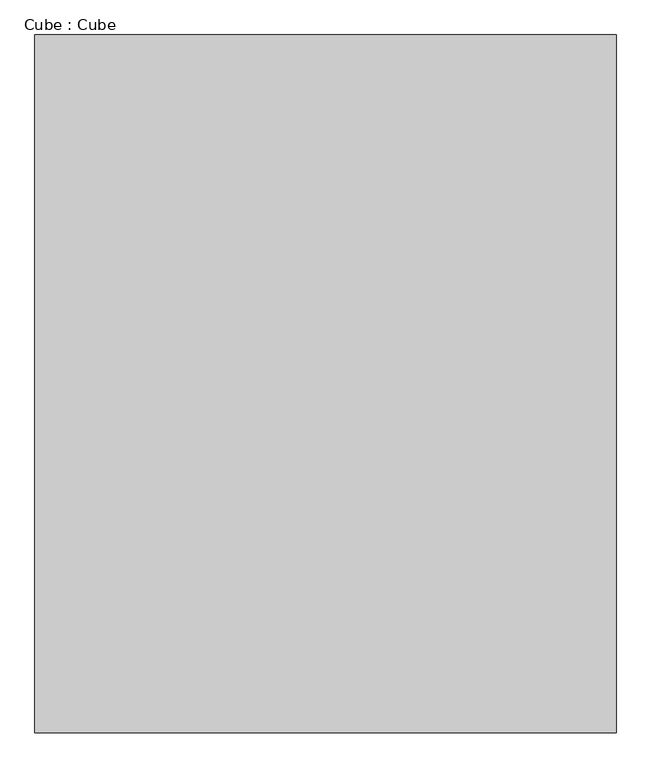
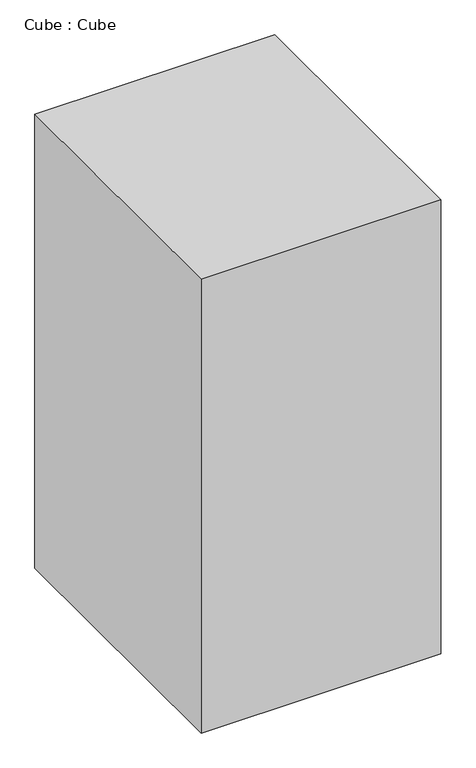
"""IFC4 building model written with IfcOpenShell, lengths in millimetres: proxy geometry, Cube : Cube."""

from ifc_helpers import new_model, si_unit, origin, origin_with_axes, place, context, project, spatial, polyline, outline, extrude, source, transform, mapped, element, save


def cube_cube_bcae3c5b(model_context):
    return source(origin(), model_context, "Body", "SweptSolid", [
        extrude(outline(polyline([(1250.0, 1500.0), (1250.0, -1500.0), (-1250.0, -1500.0), (-1250.0, 1500.0), (1250.0, 1500.0)])), origin_with_axes(), (0.0, 0.0, 1.0), 5000.0),
    ])


if __name__ == "__main__":
    model = new_model("IFC4")
    model_context = context("Model", 3, world=origin())
    ifc_project = project(units=[si_unit("LENGTHUNIT", "METRE", prefix="MILLI")], contexts=[model_context])
    site = spatial("IfcSite", under=ifc_project)
    building = spatial("IfcBuilding", under=site)
    placement = place(None, origin())
    cube_cube_shape = cube_cube_bcae3c5b(model_context)
    element("IfcBuildingElementProxy", 1, Name="Cube : Cube", ObjectType="Cube : Cube", at=placement, inside=building, context=model_context, shape_type="MappedRepresentation", body=[
        mapped(cube_cube_shape, transform((0.0, 0.0, 0.0), x_axis=(1.0, 0.0, 0.0), y_axis=(0.0, 1.0, 0.0), z_axis=(0.0, 0.0, 1.0))),
    ])
    save(model, "model.ifc")
